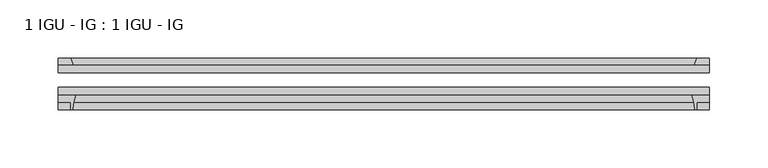
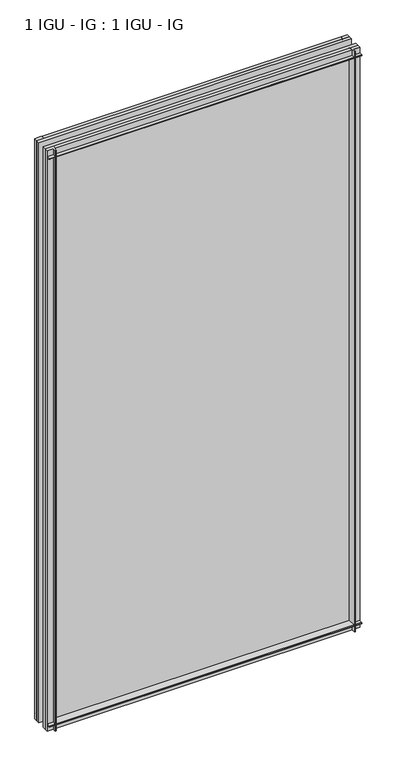
"""IFC4 building model written with IfcOpenShell, lengths in millimetres: plate geometry, 1 IGU - IG : 1 IGU - IG."""

from ifc_helpers import new_model, si_unit, point, frame, frame_2d, origin, place, context, project, spatial, polyline, circle_curve, trimmed, segment, composite_curve, outline, extrude, source, transform, mapped, element, save


def plate_1_igu_ig_1_igu_ig_87c06e81(model_context):
    return source(origin(), model_context, "Body", "SweptSolid", [
        extrude(outline(polyline([(300.0375, -31.75), (300.0375, -38.1), (-261.9375, -38.1), (-261.9375, -31.75), (300.0375, -31.75)])), frame((0.0, 0.0, -11.1125), z_axis=(0.0, 0.0, 1.0), x_axis=(1.0, 0.0, 0.0)), (0.0, 0.0, 1.0), 1101.7245636),
        extrude(outline(polyline([(-261.9375, -12.7), (300.0375, -12.7), (300.0375, -19.05), (-261.9375, -19.05), (-261.9375, -12.7)])), frame((0.0, 0.0, -11.1125), z_axis=(0.0, 0.0, 1.0), x_axis=(1.0, 0.0, 0.0)), (0.0, 0.0, 1.0), 1101.7245636),
        extrude(outline(composite_curve([segment(polyline([(-261.9375, -38.1), (-246.6438207, -38.1)]), True, "CONTINUOUS"), segment(trimmed(circle_curve(frame_2d((-203.3848044, -53.3794536)), 45.8781451), [point((-246.6438207, -38.1))], [point((-249.1450572, -50.0925922))], True, "CARTESIAN"), True, "CONTINUOUS"), segment(trimmed(circle_curve(frame_2d((-249.9050991, -50.038)), 0.762), [point((-249.1450572, -50.0925922))], [point((-249.9050991, -50.8))], False, "CARTESIAN"), True, "CONTINUOUS"), segment(polyline([(-249.9050991, -50.8), (-250.825, -50.8), (-250.825, -44.45), (-261.9375, -44.45), (-261.9375, -38.1)]), True, "CONTINUOUS")], self_intersect=False)), frame((0.0, 0.0, -11.1125), z_axis=(0.0, 0.0, 1.0), x_axis=(1.0, 0.0, 0.0)), (0.0, 0.0, 1.0), 1101.7245636),
        extrude(outline(polyline([(-248.7197229, -12.7), (-261.9375, -12.7), (-261.9375, -6.35), (-250.825, -6.35), (-248.7197229, -12.7)])), frame((0.0, 0.0, -11.1125), z_axis=(0.0, 0.0, 1.0), x_axis=(1.0, 0.0, 0.0)), (0.0, 0.0, 1.0), 1101.7245636),
        extrude(outline(polyline([(300.0375, -12.7), (286.8197229, -12.7), (288.925, -6.35), (300.0375, -6.35), (300.0375, -12.7)])), frame((0.0, 0.0, -11.1125), z_axis=(0.0, 0.0, 1.0), x_axis=(1.0, 0.0, 0.0)), (0.0, 0.0, 1.0), 1101.7245636),
        extrude(outline(composite_curve([segment(polyline([(284.7438207, -38.1), (300.0375, -38.1), (300.0375, -44.45), (288.925, -44.45), (288.925, -50.8), (288.0050991, -50.8)]), True, "CONTINUOUS"), segment(trimmed(circle_curve(frame_2d((288.0050991, -50.038)), 0.762), [point((288.0050991, -50.8))], [point((287.2450572, -50.0925922))], False, "CARTESIAN"), True, "CONTINUOUS"), segment(trimmed(circle_curve(frame_2d((241.4848044, -53.3794536)), 45.8781451), [point((287.2450572, -50.0925922))], [point((284.7438207, -38.1))], True, "CARTESIAN"), True, "CONTINUOUS")], self_intersect=False)), frame((0.0, 0.0, -11.1125), z_axis=(0.0, 0.0, 1.0), x_axis=(1.0, 0.0, 0.0)), (0.0, 0.0, 1.0), 1101.7245636),
        extrude(outline(polyline([(-12.7, -11.1125), (-12.7, 2.1052771), (-6.35, 0.0), (-6.35, -11.1125), (-12.7, -11.1125)])), frame((-261.9375, 0.0, 0.0), z_axis=(1.0, 0.0, 0.0), x_axis=(0.0, 1.0, 0.0)), (0.0, 0.0, 1.0), 561.975),
        extrude(outline(composite_curve([segment(polyline([(-38.1, 4.1811793), (-38.1, -11.1125), (-44.45, -11.1125), (-44.45, 0.0), (-50.8, 0.0), (-50.8, 0.9199009)]), True, "CONTINUOUS"), segment(trimmed(circle_curve(frame_2d((-50.038, 0.9199009)), 0.762), [point((-50.8, 0.9199009))], [point((-50.0925922, 1.6799428))], False, "CARTESIAN"), True, "CONTINUOUS"), segment(trimmed(circle_curve(frame_2d((-53.3794536, 47.4401956)), 45.8781451), [point((-50.0925922, 1.6799428))], [point((-38.1, 4.1811793))], True, "CARTESIAN"), True, "CONTINUOUS")], self_intersect=False)), frame((-261.9375, 0.0, 0.0), z_axis=(1.0, 0.0, 0.0), x_axis=(0.0, 1.0, 0.0)), (0.0, 0.0, 1.0), 561.975),
        extrude(outline(polyline([(-6.35, 1079.4995636), (-12.7, 1077.3942865), (-12.7, 1090.6120636), (-6.35, 1090.6120636), (-6.35, 1079.4995636)])), frame((-261.9375, 0.0, 0.0), z_axis=(1.0, 0.0, 0.0), x_axis=(0.0, 1.0, 0.0)), (0.0, 0.0, 1.0), 561.975),
        extrude(outline(composite_curve([segment(polyline([(-38.1, 1090.6120636), (-38.1, 1075.3183843)]), True, "CONTINUOUS"), segment(trimmed(circle_curve(frame_2d((-53.3794536, 1032.059368)), 45.8781451), [point((-38.1, 1075.3183843))], [point((-50.0925922, 1077.8196208))], True, "CARTESIAN"), True, "CONTINUOUS"), segment(trimmed(circle_curve(frame_2d((-50.038, 1078.5796627)), 0.762), [point((-50.0925922, 1077.8196208))], [point((-50.8, 1078.5796627))], False, "CARTESIAN"), True, "CONTINUOUS"), segment(polyline([(-50.8, 1078.5796627), (-50.8, 1079.4995636), (-44.45, 1079.4995636), (-44.45, 1090.6120636), (-38.1, 1090.6120636)]), True, "CONTINUOUS")], self_intersect=False)), frame((-261.9375, 0.0, 0.0), z_axis=(1.0, 0.0, 0.0), x_axis=(0.0, 1.0, 0.0)), (0.0, 0.0, 1.0), 561.975),
    ])


if __name__ == "__main__":
    model = new_model("IFC4")
    model_context = context("Model", 3, world=origin())
    ifc_project = project(units=[si_unit("LENGTHUNIT", "METRE", prefix="MILLI")], contexts=[model_context])
    site = spatial("IfcSite", under=ifc_project)
    building = spatial("IfcBuilding", under=site)
    placement = place(None, origin())
    plate_1_igu_ig_1_igu_ig_shape = plate_1_igu_ig_1_igu_ig_87c06e81(model_context)
    element("IfcPlate", 1, ObjectType="1 IGU - IG : 1 IGU - IG", at=placement, inside=building, context=model_context, shape_type="MappedRepresentation", body=[
        mapped(plate_1_igu_ig_1_igu_ig_shape, transform((0.0, 0.0, 0.0), x_axis=(1.0, 0.0, 0.0), y_axis=(0.0, 1.0, 0.0), z_axis=(0.0, 0.0, 1.0))),
    ])
    save(model, "model.ifc")
